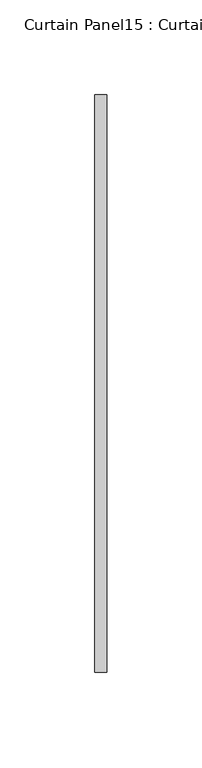
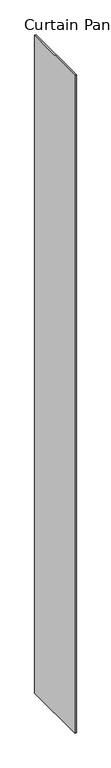
"""IFC4 building model written with IfcOpenShell, lengths in millimetres: plate geometry, Curtain Panel15 : Curtain Panel."""

from ifc_helpers import new_model, si_unit, origin, origin_with_axes, place, context, project, spatial, polyline, outline, extrude, source, transform, mapped, element, save


def curtain_panel15_curtain_panel_0ba617b9(model_context):
    return source(origin(), model_context, "Body", "SweptSolid", [
        extrude(outline(polyline([(192379.533589, 2017.2357423), (192379.533589, 2322.0357423), (192385.883589, 2322.0357423), (192385.883589, 2017.2357423), (192379.533589, 2017.2357423)])), origin_with_axes(), (0.0, 0.0, 1.0), 3048.0),
    ])


if __name__ == "__main__":
    model = new_model("IFC4")
    model_context = context("Model", 3, world=origin())
    ifc_project = project(units=[si_unit("LENGTHUNIT", "METRE", prefix="MILLI")], contexts=[model_context])
    site = spatial("IfcSite", under=ifc_project)
    building = spatial("IfcBuilding", under=site)
    placement = place(None, origin())
    curtain_panel15_curtain_panel_shape = curtain_panel15_curtain_panel_0ba617b9(model_context)
    element("IfcPlate", 1, ObjectType="Curtain Panel15 : Curtain Panel", at=placement, inside=building, context=model_context, shape_type="MappedRepresentation", body=[
        mapped(curtain_panel15_curtain_panel_shape, transform((0.0, 0.0, 0.0), x_axis=(1.0, 0.0, 0.0), y_axis=(0.0, 1.0, 0.0), z_axis=(0.0, 0.0, 1.0))),
    ])
    save(model, "model.ifc")
